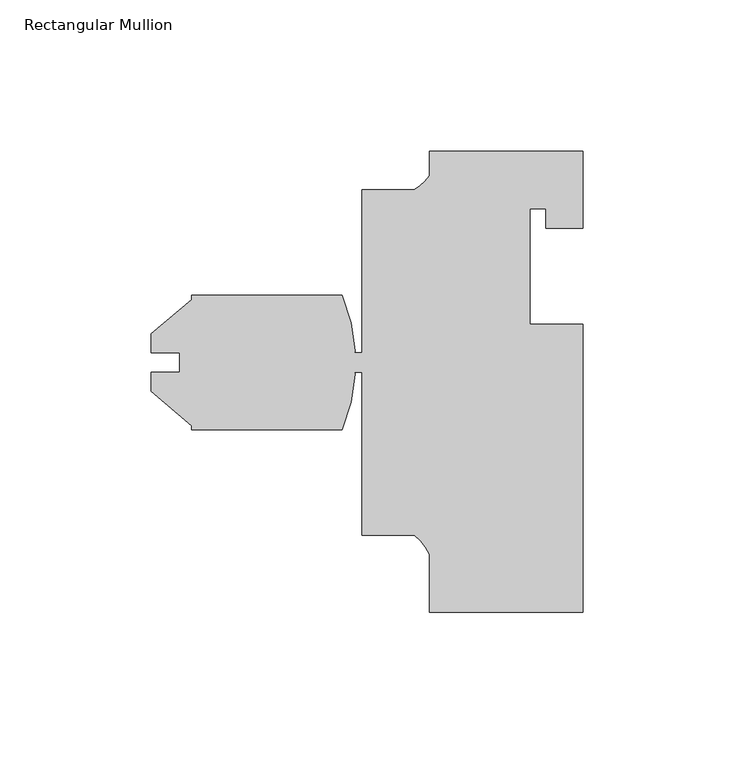
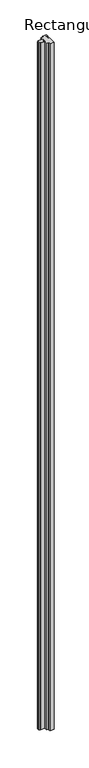
"""IFC4 building model written with IfcOpenShell, lengths in millimetres: member geometry, Rectangular Mullion."""

from ifc_helpers import new_model, si_unit, point, frame, frame_2d, origin, place, context, project, spatial, polyline, circle_curve, trimmed, segment, composite_curve, outline, extrude, source, transform, mapped, element, save


def rectangular_mullion_9ed3df9c(model_context):
    return source(origin(), model_context, "Body", "SweptSolid", [
        extrude(outline(composite_curve([segment(polyline([(25.4000102, -139.7), (-25.4, -139.7), (-25.4, -120.5282223)]), True, "CONTINUOUS"), segment(trimmed(circle_curve(frame_2d((-39.5144522, -126.581361)), 15.3576772), [point((-25.4, -120.5282223))], [point((-30.2934749, -114.3))], True, "CARTESIAN"), True, "CONTINUOUS"), segment(polyline([(-30.2934749, -114.3), (-47.6249898, -114.3), (-47.6249898, -60.3249987), (-50.476034, -60.3249987)]), True, "CONTINUOUS"), segment(trimmed(circle_curve(frame_2d((-50.5757694, -60.9146145)), 0.5979916), [point((-50.476034, -60.3249987))], [point((-49.9829453, -60.9930592))], False, "CARTESIAN"), True, "CONTINUOUS"), segment(trimmed(circle_curve(frame_2d((-108.5818619, -57.15)), 58.7248), [point((-49.9829453, -60.9930592))], [point((-54.2251557, -79.375))], False, "CARTESIAN"), True, "CONTINUOUS"), segment(polyline([(-54.2251557, -79.375), (-103.9471598, -79.375), (-103.9471598, -77.9782933), (-117.4091598, -66.682334), (-117.4091598, -60.3120621), (-107.9857598, -60.3120621), (-107.9857598, -53.9879379), (-117.4091598, -53.9879379), (-117.4091598, -47.617666), (-103.9471598, -36.3217067), (-103.9471598, -34.925), (-54.2251557, -34.925)]), True, "CONTINUOUS"), segment(trimmed(circle_curve(frame_2d((-108.5818619, -57.15)), 58.7248), [point((-54.2251557, -34.925))], [point((-49.9829453, -53.3069408))], False, "CARTESIAN"), True, "CONTINUOUS"), segment(trimmed(circle_curve(frame_2d((-50.5757694, -53.3853855)), 0.5979916), [point((-49.9829453, -53.3069408))], [point((-50.476034, -53.9750013))], False, "CARTESIAN"), True, "CONTINUOUS"), segment(polyline([(-50.476034, -53.9750013), (-47.6249898, -53.9750013), (-47.6249898, 0.0), (-30.3723352, 0.0)]), True, "CONTINUOUS"), segment(trimmed(circle_curve(frame_2d((-37.3094364, 12.5756632)), 14.3621265), [point((-30.3723352, 0.0))], [point((-25.4, 4.5484593))], True, "CARTESIAN"), True, "CONTINUOUS"), segment(polyline([(-25.4, 4.5484593), (-25.4, 12.7), (25.4, 12.7), (25.4, -12.7), (13.208, -12.7), (13.208, -6.35), (7.9502102, -6.35), (7.9502102, -44.45), (25.4000102, -44.45), (25.4000102, -139.7)]), True, "CONTINUOUS")], self_intersect=False)), frame((0.0, 0.0, -8635.0685723), z_axis=(0.0, 0.0, 1.0), x_axis=(1.0, 0.0, 0.0)), (0.0, 0.0, 1.0), 8635.0685723),
    ])


if __name__ == "__main__":
    model = new_model("IFC4")
    model_context = context("Model", 3, world=origin())
    ifc_project = project(units=[si_unit("LENGTHUNIT", "METRE", prefix="MILLI")], contexts=[model_context])
    site = spatial("IfcSite", under=ifc_project)
    building = spatial("IfcBuilding", under=site)
    placement = place(None, origin())
    rectangular_mullion_shape = rectangular_mullion_9ed3df9c(model_context)
    element("IfcMember", 1, ObjectType="Rectangular Mullion", at=placement, inside=building, context=model_context, shape_type="MappedRepresentation", body=[
        mapped(rectangular_mullion_shape, transform((0.0, 0.0, 0.0), x_axis=(1.0, 0.0, 0.0), y_axis=(0.0, 1.0, 0.0), z_axis=(0.0, 0.0, 1.0))),
    ])
    save(model, "model.ifc")
